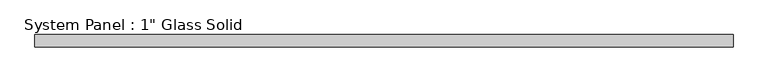
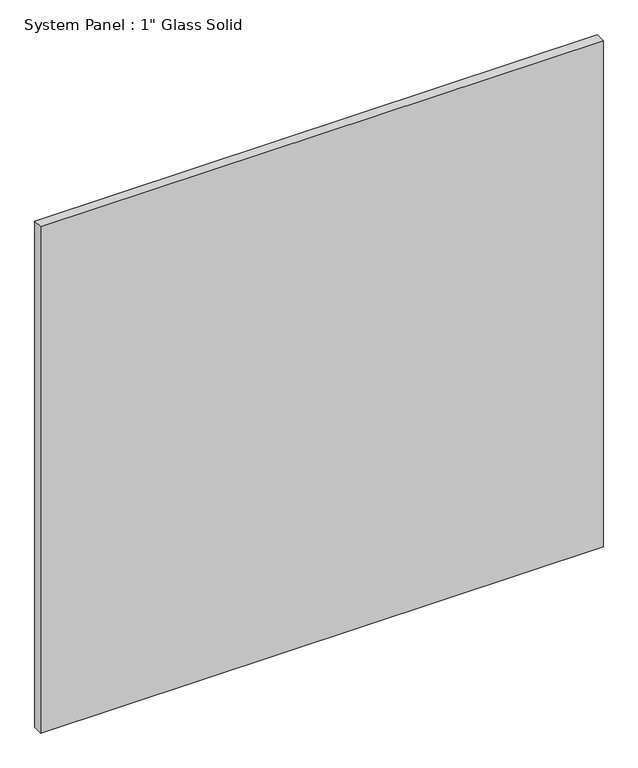
"""IFC4 building model written with IfcOpenShell, lengths in millimetres: plate geometry."""

from ifc_helpers import new_model, si_unit, origin, origin_with_axes, place, context, project, spatial, polyline, outline, extrude, source, transform, mapped, element, save


def plate_4f6706fb(model_context):
    return source(origin(), model_context, "Body", "SweptSolid", [
        extrude(outline(polyline([(728.1342185, -12.7), (-728.1342185, -12.7), (-728.1342185, 12.7), (728.1342185, 12.7), (728.1342185, -12.7)])), origin_with_axes(), (0.0, 0.0, 1.0), 1384.1911731),
    ])


if __name__ == "__main__":
    model = new_model("IFC4")
    model_context = context("Model", 3, world=origin())
    ifc_project = project(units=[si_unit("LENGTHUNIT", "METRE", prefix="MILLI")], contexts=[model_context])
    site = spatial("IfcSite", under=ifc_project)
    building = spatial("IfcBuilding", under=site)
    placement = place(None, origin())
    plate_shape = plate_4f6706fb(model_context)
    element("IfcPlate", 1, ObjectType="System Panel : 1\" Glass Solid", at=placement, inside=building, context=model_context, shape_type="MappedRepresentation", body=[
        mapped(plate_shape, transform((0.0, 0.0, 0.0), x_axis=(1.0, 0.0, 0.0), y_axis=(0.0, 1.0, 0.0), z_axis=(0.0, 0.0, 1.0))),
    ])
    save(model, "model.ifc")
